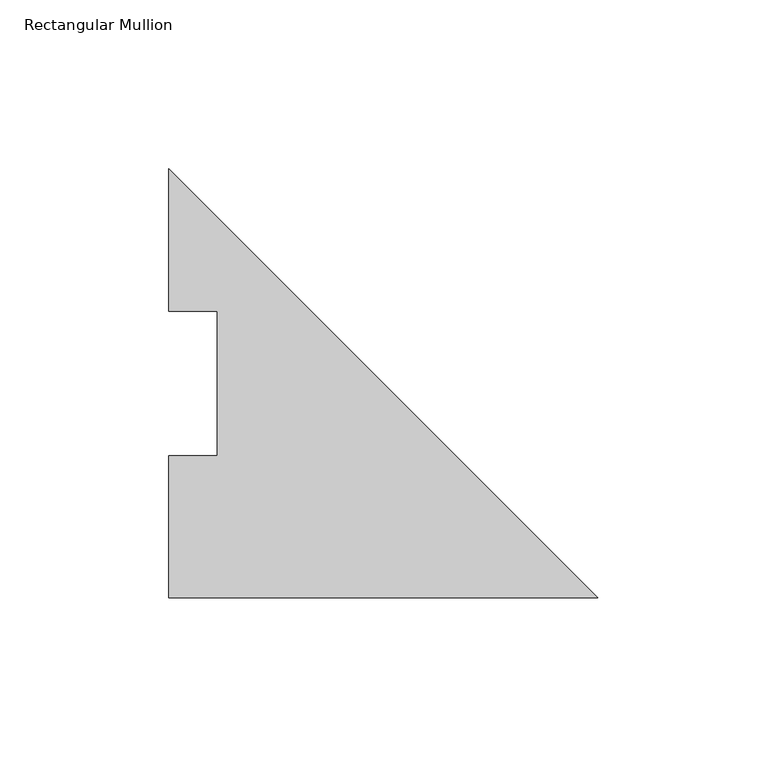
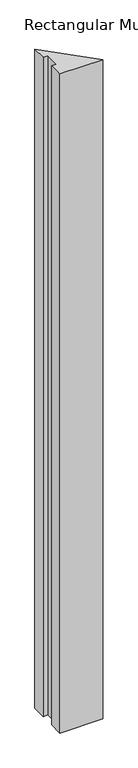
"""IFC4 building model written with IfcOpenShell, lengths in millimetres: member geometry, Rectangular Mullion."""

from ifc_helpers import new_model, si_unit, frame, origin, place, context, project, spatial, polyline, outline, extrude, source, transform, mapped, element, save


def rectangular_mullion_88f63549(model_context):
    return source(origin(), model_context, "Body", "SweptSolid", [
        extrude(outline(polyline([(-127.0, -0.2913062), (-127.0, 41.7837938), (-112.7125, 41.7837938), (-112.7125, 84.6335937), (-127.0, 84.6335937), (-127.0, 126.7086937), (0.0, -0.2913062), (-127.0, -0.2913062)])), frame((0.0, 0.0, -2057.4), z_axis=(0.0, 0.0, 1.0), x_axis=(1.0, 0.0, 0.0)), (0.0, 0.0, 1.0), 2057.4),
    ])


if __name__ == "__main__":
    model = new_model("IFC4")
    model_context = context("Model", 3, world=origin())
    ifc_project = project(units=[si_unit("LENGTHUNIT", "METRE", prefix="MILLI")], contexts=[model_context])
    site = spatial("IfcSite", under=ifc_project)
    building = spatial("IfcBuilding", under=site)
    placement = place(None, origin())
    rectangular_mullion_shape = rectangular_mullion_88f63549(model_context)
    element("IfcMember", 1, ObjectType="Rectangular Mullion", at=placement, inside=building, context=model_context, shape_type="MappedRepresentation", body=[
        mapped(rectangular_mullion_shape, transform((0.0, 0.0, 0.0), x_axis=(1.0, 0.0, 0.0), y_axis=(0.0, 1.0, 0.0), z_axis=(0.0, 0.0, 1.0))),
    ])
    save(model, "model.ifc")
